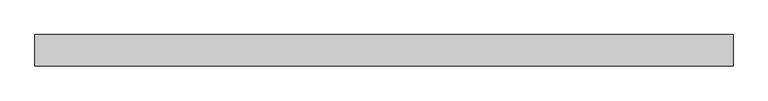
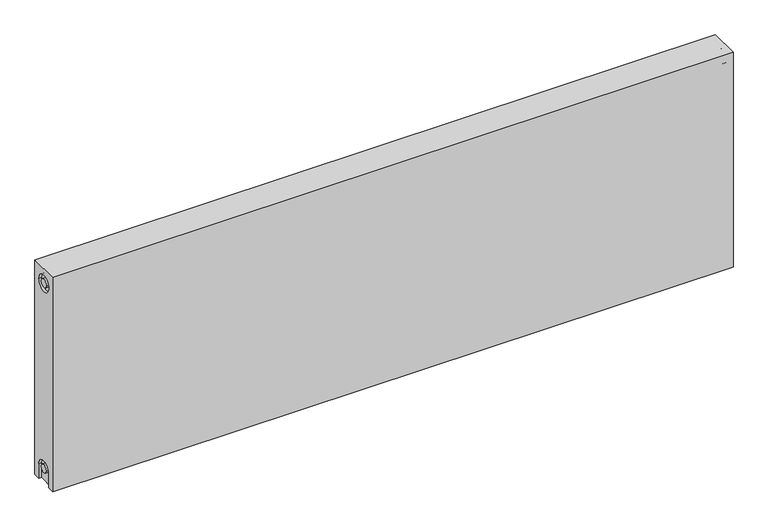
"""IFC4 building model written with IfcOpenShell, lengths in millimetres: proxy geometry."""

from ifc_helpers import new_model, si_unit, frame, origin, place, context, project, spatial, polyline, circle_curve, source, transform, mapped, element, save
from ifc_brep_helpers import plane_surface, cylinder_surface, revolved_surface, advanced_brep


def mechanical_equipment_50b80193(model_context):
    return source(origin(), model_context, "Body", "AdvancedBrep", [
        advanced_brep(
        [(1200.0, 27.0, 400.0), (1200.0, 27.0, 0.0), (0.0, 27.0, 0.0), (0.0, 27.0, 400.0), (1200.0, -27.0, 400.0), (0.0, -27.0, 400.0), (0.0, -27.0, 0.0), (1200.0, -27.0, 0.0), (1200.0, -15.0, 0.0), (1200.0, -15.0, 27.0), (1200.0, 15.0, 27.0), (1200.0, 15.0, 0.0), (1200.0, 14.7242393, 373.0), (1200.0, -15.2757607, 373.0), (1200.0, -7.5, 27.0), (1200.0, 7.5, 27.0), (1200.0, 7.2242393, 373.0), (1200.0, -7.7757607, 373.0), (1195.0, 15.0, 0.0), (1195.0, -15.0, 0.0), (0.0, -15.0, 0.0), (5.0, -15.0, 0.0), (5.0, 15.0, 0.0), (0.0, 15.0, 0.0), (0.0, 15.0, 27.0), (0.0, -15.0, 27.0), (0.0, -15.2757607, 373.0), (0.0, 14.7242393, 373.0), (0.0, -7.7757607, 373.0), (0.0, 7.2242393, 373.0), (0.0, 7.5, 27.0), (0.0, -7.5, 27.0), (5.0, -15.2757607, 373.0), (5.0, 14.7242393, 373.0), (5.0, -7.7757607, 373.0), (5.0, 7.2242393, 373.0), (5.0, -15.0, 27.0), (5.0, 15.0, 27.0), (5.0, -7.5, 27.0), (5.0, 7.5, 27.0), (1195.0, 15.0, 27.0), (1195.0, -15.0, 27.0), (1195.0, -7.5, 27.0), (1195.0, 7.5, 27.0), (1195.0, -15.2757607, 373.0), (1195.0, 14.7242393, 373.0), (1195.0, -7.7757607, 373.0), (1195.0, 7.2242393, 373.0)],
        [
            (0, 1),
            (1, 2),
            (2, 3),
            (3, 0),
            (4, 5),
            (5, 6),
            (6, 7),
            (7, 4),
            (0, 4),
            (7, 8),
            (8, 9),
            (9, 10, circle_curve(frame((1200.0, 0.0, 27.0), z_axis=(-1.0, 0.0, 0.0), x_axis=(0.0, 1.0, 0.0)), 15.0)),
            (10, 11),
            (11, 1),
            (12, 13, circle_curve(frame((1200.0, -0.2757607, 373.0), z_axis=(-1.0, 0.0, 0.0), x_axis=(0.0, 1.0, 0.0)), 15.0)),
            (13, 12, circle_curve(frame((1200.0, -0.2757607, 373.0), z_axis=(-1.0, 0.0, 0.0), x_axis=(0.0, 1.0, 0.0)), 15.0)),
            (14, 15, circle_curve(frame((1200.0, 0.0, 27.0), z_axis=(1.0, 0.0, 0.0), x_axis=(0.0, 1.0, 0.0)), 7.5)),
            (15, 14, circle_curve(frame((1200.0, 0.0, 27.0), z_axis=(1.0, 0.0, 0.0), x_axis=(0.0, 1.0, 0.0)), 7.5)),
            (16, 17, circle_curve(frame((1200.0, -0.2757607, 373.0), z_axis=(1.0, 0.0, 0.0), x_axis=(0.0, 1.0, 0.0)), 7.5)),
            (17, 16, circle_curve(frame((1200.0, -0.2757607, 373.0), z_axis=(1.0, 0.0, 0.0), x_axis=(0.0, 1.0, 0.0)), 7.5)),
            (11, 18),
            (18, 19),
            (19, 8),
            (6, 20),
            (20, 21),
            (21, 22),
            (22, 23),
            (23, 2),
            (23, 24),
            (24, 25, circle_curve(frame((0.0, 0.0, 27.0), z_axis=(1.0, 0.0, 0.0), x_axis=(0.0, 1.0, 0.0)), 15.0)),
            (25, 20),
            (5, 3),
            (26, 27, circle_curve(frame((0.0, -0.2757607, 373.0), z_axis=(1.0, 0.0, 0.0), x_axis=(0.0, 1.0, 0.0)), 15.0)),
            (27, 26, circle_curve(frame((0.0, -0.2757607, 373.0), z_axis=(1.0, 0.0, 0.0), x_axis=(0.0, 1.0, 0.0)), 15.0)),
            (28, 29, circle_curve(frame((0.0, -0.2757607, 373.0), z_axis=(-1.0, 0.0, 0.0), x_axis=(0.0, 1.0, 0.0)), 7.5)),
            (29, 28, circle_curve(frame((0.0, -0.2757607, 373.0), z_axis=(-1.0, 0.0, 0.0), x_axis=(0.0, 1.0, 0.0)), 7.5)),
            (30, 31, circle_curve(frame((0.0, 0.0, 27.0), z_axis=(-1.0, 0.0, 0.0), x_axis=(0.0, 1.0, 0.0)), 7.5)),
            (31, 30, circle_curve(frame((0.0, 0.0, 27.0), z_axis=(-1.0, 0.0, 0.0), x_axis=(0.0, 1.0, 0.0)), 7.5)),
            (32, 33, circle_curve(frame((5.0, -0.2757607, 373.0), z_axis=(-1.0, 0.0, 0.0), x_axis=(0.0, 1.0, 0.0)), 15.0)),
            (33, 32, circle_curve(frame((5.0, -0.2757607, 373.0), z_axis=(-1.0, 0.0, 0.0), x_axis=(0.0, 1.0, 0.0)), 15.0)),
            (34, 35, circle_curve(frame((5.0, -0.2757607, 373.0), z_axis=(1.0, 0.0, 0.0), x_axis=(0.0, 1.0, 0.0)), 7.5)),
            (35, 34, circle_curve(frame((5.0, -0.2757607, 373.0), z_axis=(1.0, 0.0, 0.0), x_axis=(0.0, 1.0, 0.0)), 7.5)),
            (33, 27),
            (26, 32),
            (35, 29),
            (28, 34),
            (21, 36),
            (36, 37, circle_curve(frame((5.0, 0.0, 27.0), z_axis=(-1.0, 0.0, 0.0), x_axis=(0.0, 1.0, 0.0)), 15.0)),
            (37, 22),
            (38, 39, circle_curve(frame((5.0, 0.0, 27.0), z_axis=(1.0, 0.0, 0.0), x_axis=(0.0, 1.0, 0.0)), 7.5)),
            (39, 38, circle_curve(frame((5.0, 0.0, 27.0), z_axis=(1.0, 0.0, 0.0), x_axis=(0.0, 1.0, 0.0)), 7.5)),
            (38, 31),
            (30, 39),
            (37, 24),
            (36, 25),
            (18, 40),
            (40, 41, circle_curve(frame((1195.0, 0.0, 27.0), z_axis=(1.0, 0.0, 0.0), x_axis=(0.0, 1.0, 0.0)), 15.0)),
            (41, 19),
            (42, 43, circle_curve(frame((1195.0, 0.0, 27.0), z_axis=(-1.0, 0.0, 0.0), x_axis=(0.0, 1.0, 0.0)), 7.5)),
            (43, 42, circle_curve(frame((1195.0, 0.0, 27.0), z_axis=(-1.0, 0.0, 0.0), x_axis=(0.0, 1.0, 0.0)), 7.5)),
            (43, 15),
            (14, 42),
            (10, 40),
            (9, 41),
            (44, 45, circle_curve(frame((1195.0, -0.2757607, 373.0), z_axis=(1.0, 0.0, 0.0), x_axis=(0.0, 1.0, 0.0)), 15.0)),
            (45, 44, circle_curve(frame((1195.0, -0.2757607, 373.0), z_axis=(1.0, 0.0, 0.0), x_axis=(0.0, 1.0, 0.0)), 15.0)),
            (46, 47, circle_curve(frame((1195.0, -0.2757607, 373.0), z_axis=(-1.0, 0.0, 0.0), x_axis=(0.0, 1.0, 0.0)), 7.5)),
            (47, 46, circle_curve(frame((1195.0, -0.2757607, 373.0), z_axis=(-1.0, 0.0, 0.0), x_axis=(0.0, 1.0, 0.0)), 7.5)),
            (44, 13),
            (12, 45),
            (46, 17),
            (16, 47),
        ],
        [
            plane_surface(frame((1200.0, 27.0, 400.0), z_axis=(0.0, 1.0, 0.0), x_axis=(0.0, 0.0, -1.0))),
            plane_surface(frame((1200.0, -27.0, 400.0), z_axis=(0.0, -1.0, 0.0), x_axis=(0.0, 0.0, 1.0))),
            plane_surface(frame((1200.0, 27.0, 400.0), z_axis=(1.0, 0.0, 0.0), x_axis=(0.0, -1.0, 0.0))),
            plane_surface(frame((1200.0, 27.0, 0.0), z_axis=(0.0, 0.0, -1.0), x_axis=(0.0, -1.0, 0.0))),
            plane_surface(frame((0.0, 27.0, 0.0), z_axis=(-1.0, 0.0, 0.0), x_axis=(0.0, -1.0, 0.0))),
            plane_surface(frame((0.0, 27.0, 400.0), z_axis=(0.0, 0.0, 1.0), x_axis=(0.0, -1.0, 0.0))),
            plane_surface(frame((5.0, 14.7242393, 373.0), z_axis=(-1.0, 0.0, 0.0), x_axis=(0.0, 0.0, 1.0))),
            revolved_surface(polyline([(5.0, 14.7242393, 373.0), (0.0, 14.7242393, 373.0)]), (0.0, -0.2757607, 373.0), (1.0, 0.0, 0.0)),
            cylinder_surface(frame((0.0, -0.2757607, 373.0), z_axis=(-1.0, 0.0, 0.0), x_axis=(0.0, 1.0, 0.0)), 7.5),
            plane_surface(frame((5.0, 7.5, 27.0), z_axis=(-1.0, 0.0, 0.0), x_axis=(0.0, 0.0, -1.0))),
            cylinder_surface(frame((0.0, 0.0, 27.0), z_axis=(-1.0, 0.0, 0.0), x_axis=(0.0, 1.0, 0.0)), 7.5),
            plane_surface(frame((5.0, 15.0, 0.0), z_axis=(0.0, -1.0, 0.0), x_axis=(-1.0, 0.0, 0.0))),
            revolved_surface(polyline([(5.0, 15.0, 27.0), (0.0, 15.0, 27.0)]), (0.0, 0.0, 27.0), (1.0, 0.0, 0.0)),
            plane_surface(frame((5.0, -15.0, 27.0), z_axis=(0.0, 1.0, 0.0), x_axis=(-1.0, 0.0, 0.0))),
            plane_surface(frame((1195.0, 7.5, 27.0), z_axis=(1.0, 0.0, 0.0), x_axis=(0.0, 0.0, 1.0))),
            cylinder_surface(frame((1195.0, 0.0, 27.0), z_axis=(-1.0, 0.0, 0.0), x_axis=(0.0, 1.0, 0.0)), 7.5),
            plane_surface(frame((1200.0, 15.0, 0.0), z_axis=(0.0, -1.0, 0.0), x_axis=(-1.0, 0.0, 0.0))),
            revolved_surface(polyline([(1200.0, 15.0, 27.0), (1195.0, 15.0, 27.0)]), (895.0, 0.0, 27.0), (1.0, 0.0, 0.0)),
            plane_surface(frame((1200.0, -15.0, 27.0), z_axis=(0.0, 1.0, 0.0), x_axis=(-1.0, 0.0, 0.0))),
            plane_surface(frame((1195.0, 14.7242393, 373.0), z_axis=(1.0, 0.0, 0.0), x_axis=(0.0, 0.0, -1.0))),
            revolved_surface(polyline([(1200.0, 14.7242393, 373.0), (1195.0, 14.7242393, 373.0)]), (1195.0, -0.2757607, 373.0), (1.0, 0.0, 0.0)),
            cylinder_surface(frame((895.0, -0.2757607, 373.0), z_axis=(-1.0, 0.0, 0.0), x_axis=(0.0, 1.0, 0.0)), 7.5),
        ],
        [
            (0, [[1, 2, 3, 4]]),
            (1, [[5, 6, 7, 8]]),
            (2, [[-1, 9, -8, 10, 11, 12, 13, 14], [15, 16]]),
            (2, [[17, 18]]),
            (2, [[19, 20]]),
            (3, [[-2, -14, 21, 22, 23, -10, -7, 24, 25, 26, 27, 28]]),
            (4, [[-3, -28, 29, 30, 31, -24, -6, 32], [33, 34]]),
            (4, [[35, 36]]),
            (4, [[37, 38]]),
            (5, [[-4, -32, -5, -9]]),
            (6, [[39, 40], [41, 42]]),
            (7, [[-40, 43, -33, 44]]),
            (7, [[-39, -44, -34, -43]]),
            (8, [[-42, 45, -35, 46]]),
            (8, [[-41, -46, -36, -45]]),
            (9, [[47, 48, 49, -26], [50, 51]]),
            (10, [[-50, 52, -37, 53]]),
            (10, [[-51, -53, -38, -52]]),
            (11, [[-49, 54, -29, -27]]),
            (12, [[-48, 55, -30, -54]]),
            (13, [[-47, -25, -31, -55]]),
            (14, [[56, 57, 58, -22], [59, 60]]),
            (15, [[-60, 61, -17, 62]]),
            (15, [[-59, -62, -18, -61]]),
            (16, [[-56, -21, -13, 63]]),
            (17, [[-57, -63, -12, 64]]),
            (18, [[-58, -64, -11, -23]]),
            (19, [[65, 66], [67, 68]]),
            (20, [[-65, 69, -15, 70]]),
            (20, [[-66, -70, -16, -69]]),
            (21, [[-67, 71, -19, 72]]),
            (21, [[-68, -72, -20, -71]]),
        ],
    ),
    ])


if __name__ == "__main__":
    model = new_model("IFC4")
    model_context = context("Model", 3, world=origin())
    ifc_project = project(units=[si_unit("LENGTHUNIT", "METRE", prefix="MILLI")], contexts=[model_context])
    site = spatial("IfcSite", under=ifc_project)
    building = spatial("IfcBuilding", under=site)
    placement = place(None, origin())
    mechanical_equipment_shape = mechanical_equipment_50b80193(model_context)
    element("IfcBuildingElementProxy", 1, Name="Mechanical Equipment", at=placement, inside=building, context=model_context, shape_type="MappedRepresentation", body=[
        mapped(mechanical_equipment_shape, transform((0.0, 0.0, 0.0), x_axis=(1.0, 0.0, 0.0), y_axis=(0.0, 1.0, 0.0), z_axis=(0.0, 0.0, 1.0))),
    ])
    save(model, "model.ifc")
